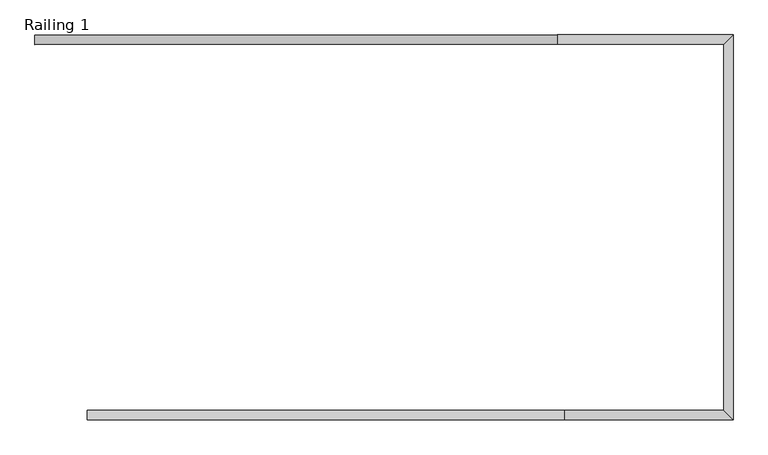
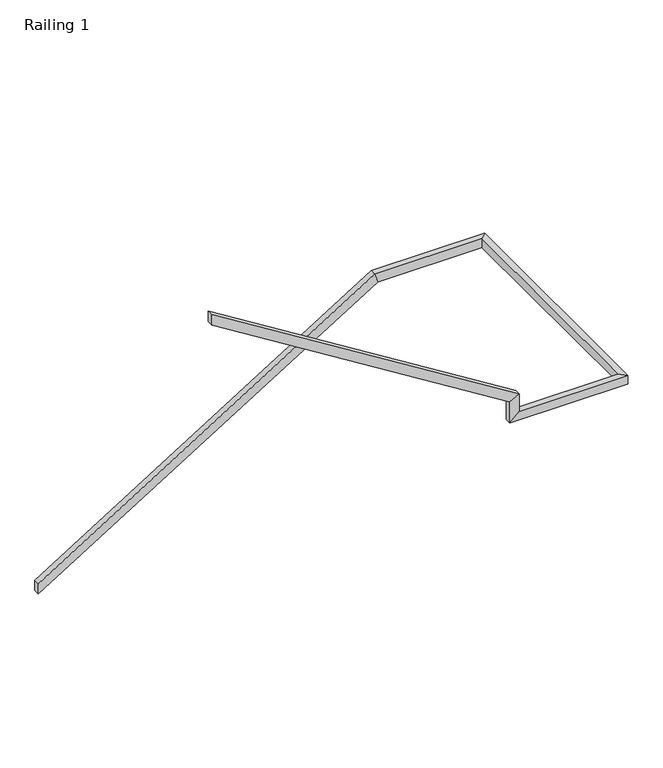
"""IFC4 building model written with IfcOpenShell, lengths in millimetres: railing geometry, Railing 1."""

from ifc_helpers import new_model, si_unit, origin, place, context, project, spatial, faceted_brep, source, transform, mapped, element, save


def railing_1_f930eda7(model_context):
    return source(origin(), model_context, "Body", "Brep", [
        faceted_brep([(2217.1311953, 4272.0134111, 1088.5714286), (2217.1311953, 4322.8134111, 1088.5714286), (2217.1311953, 4322.8134111, 998.7782586), (2217.1311953, 4272.0134111, 998.7782586), (5011.1311953, 4272.0134111, 2830.2857143), (5011.1311953, 4322.8134111, 2830.2857143), (5032.9369055, 4322.8134111, 2754.0857143), (5032.9369055, 4272.0134111, 2754.0857143), (5900.1311953, 4272.0134111, 2830.2857143), (5950.9311953, 4322.8134111, 2830.2857143), (5950.9311953, 4322.8134111, 2754.0857143), (5900.1311953, 4272.0134111, 2754.0857143), (5900.1311953, 2313.6215743, 2830.2857143), (5950.9311953, 2262.8215743, 2830.2857143), (5950.9311953, 2262.8215743, 2754.0857143), (5900.1311953, 2313.6215743, 2754.0857143), (5049.2311953, 2313.6215743, 2830.2857143), (5049.2311953, 2262.8215743, 2830.2857143), (4973.0311953, 2262.8215743, 2754.0857143), (4973.0311953, 2313.6215743, 2754.0857143), (5049.2311953, 2313.6215743, 2980.7064935), (5049.2311953, 2262.8215743, 2980.7064935), (4973.0311953, 2262.8215743, 2938.4146222), (4973.0311953, 2313.6215743, 2938.4146222), (2496.5311953, 2313.6215743, 4572.0), (2496.5311953, 2313.6215743, 4482.20683), (2496.5311953, 2262.8215743, 4482.20683), (2496.5311953, 2262.8215743, 4572.0)], [[[0, 1, 2, 3]], [[1, 0, 4, 5]], [[2, 1, 5, 6]], [[3, 2, 6, 7]], [[0, 3, 7, 4]], [[5, 4, 8, 9]], [[6, 5, 9, 10]], [[7, 6, 10, 11]], [[4, 7, 11, 8]], [[9, 8, 12, 13]], [[10, 9, 13, 14]], [[11, 10, 14, 15]], [[8, 11, 15, 12]], [[13, 12, 16, 17]], [[14, 13, 17, 18]], [[15, 14, 18, 19]], [[12, 15, 19, 16]], [[17, 16, 20, 21]], [[18, 17, 21, 22]], [[19, 18, 22, 23]], [[16, 19, 23, 20]], [[24, 25, 26, 27]], [[21, 20, 24, 27]], [[22, 21, 27, 26]], [[23, 22, 26, 25]], [[20, 23, 25, 24]]]),
    ])


if __name__ == "__main__":
    model = new_model("IFC4")
    model_context = context("Model", 3, world=origin())
    ifc_project = project(units=[si_unit("LENGTHUNIT", "METRE", prefix="MILLI")], contexts=[model_context])
    site = spatial("IfcSite", under=ifc_project)
    building = spatial("IfcBuilding", under=site)
    placement = place(None, origin())
    railing_1_shape = railing_1_f930eda7(model_context)
    element("IfcRailing", 1, ObjectType="Railing 1", at=placement, inside=building, context=model_context, shape_type="MappedRepresentation", body=[
        mapped(railing_1_shape, transform((0.0, 0.0, 0.0), x_axis=(1.0, 0.0, 0.0), y_axis=(0.0, 1.0, 0.0), z_axis=(0.0, 0.0, 1.0))),
    ])
    save(model, "model.ifc")
